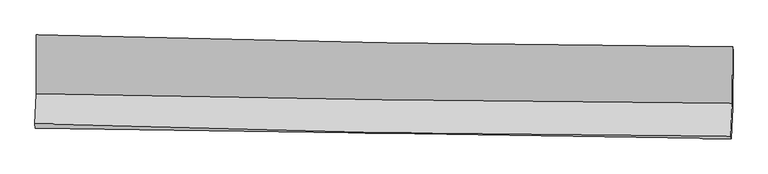
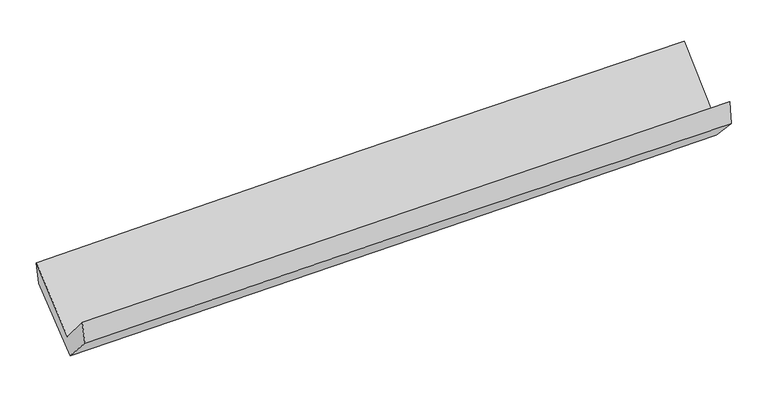
"""IFC4 building model written with IfcOpenShell, lengths in millimetres: proxy geometry."""

from ifc_helpers import new_model, si_unit, frame, origin, place, context, project, spatial, source, transform, mapped, element, save
from ifc_brep_helpers import plane_surface, spline_curve, spline_surface, advanced_brep


def generic_models_9a4db3d3(model_context):
    return source(origin(), model_context, "Body", "AdvancedBrep", [
        advanced_brep(
        [(-2990.8398621, -1160.4306674, 2161.6176668), (-2990.8015772, -1665.3606592, 1735.6580448), (2980.4638695, -1748.2968408, 1878.896212), (2983.4430792, -1263.8434809, 2315.1411353), (-3002.6665868, -1924.26608, 2042.5619178), (2968.0762496, -2027.6921666, 2188.1987605), (-2999.1412102, -1960.2660648, 1856.486622), (2971.3778603, -2050.6902009, 1986.487885), (-2987.82886, -1704.1311723, 1571.6830912), (2982.8160069, -1786.851591, 1708.061418), (-2987.3175413, -1195.063072, 1976.8265505), (2986.3286077, -1294.7835404, 2125.5845278)],
        [
            (0, 1),
            (1, 2, spline_curve(3, [(-2990.8015772, -1665.3606592, 1735.6580448), (-1995.714845145, -1685.713456769, 1754.57455303), (-1000.596961926, -1702.800977192, 1775.968425054), (989.824845691, -1730.447183293, 1823.713864542), (1985.128778023, -1741.005056614, 1850.066048392), (2980.4638695, -1748.2968408, 1878.896212)], [4, 2, 4], [0.0, 9.801569609693416, 19.60435796560528])),
            (2, 3),
            (3, 0, spline_curve(3, [(2983.4430792, -1263.8434809, 2315.1411353), (1987.266683344, -1256.337964559, 2303.514498959), (991.290635966, -1243.966633376, 2284.906329268), (-1000.136961474, -1209.494485857, 2233.73010361), (-1995.588561037, -1187.394878838, 2201.16378428), (-2990.8398621, -1160.4306674, 2161.6176668)], [4, 2, 4], [0.0, 9.802788355911865, 19.60435796560528])),
            (1, 4),
            (4, 5, spline_curve(3, [(-3002.6665868, -1924.26608, 2042.5619178), (-2008.280373745, -1958.390782818, 2081.451131651), (-1013.556317249, -1984.071963723, 2113.031842262), (976.69121078, -2018.549426041, 2161.579273791), (1972.21476633, -2027.343606968, 2178.544177868), (2968.0762496, -2027.6921666, 2188.1987605)], [4, 2, 4], [0.0, 9.79860051053545, 19.59841939810579])),
            (5, 2),
            (4, 6),
            (6, 7, spline_curve(3, [(-2999.1412102, -1960.2660648, 1856.486622), (-2004.207796757, -1974.152442542, 1881.928206849), (-1009.228767666, -1988.630470989, 1905.481881608), (980.944244565, -2018.771702404, 1948.816105555), (1976.138239062, -2034.435052782, 1968.596185095), (2971.3778603, -2050.6902009, 1986.487885)], [4, 2, 4], [0.0, 9.797812367254078, 19.596843013543776])),
            (7, 5),
            (6, 8),
            (8, 9, spline_curve(3, [(-2987.82886, -1704.1311723, 1571.6830912), (-1992.989346958, -1721.503972055, 1598.511263876), (-998.046789557, -1737.083422915, 1623.289631851), (992.168140661, -1764.657342076, 1668.749583863), (1987.440538623, -1776.651363723, 1689.430658259), (2982.8160069, -1786.851591, 1708.061418)], [4, 2, 4], [0.0, 9.797143327614643, 19.595504851075216])),
            (9, 7),
            (8, 10),
            (10, 11, spline_curve(3, [(-2987.3175413, -1195.063072, 1976.8265505), (-1991.657304342, -1209.629706514, 2001.620416773), (-996.054283334, -1225.22248234, 2026.413077592), (995.161113635, -1258.462383288, 2075.999070425), (1990.773475966, -1276.109763618, 2100.792401867), (2986.3286077, -1294.7835404, 2125.5845278)], [4, 2, 4], [0.0, 9.800157866347655, 19.601534303374848])),
            (11, 9),
            (10, 0),
            (3, 11),
        ],
        [
            spline_surface(3, 3, [[(-2990.8398621, -1160.4306674, 2161.6176668), (-1995.588560981, -1187.394878904, 2201.163784134), (-1000.136961396, -1209.494485802, 2233.730103756), (991.290635888, -1243.966633431, 2284.906329122), (1987.266683407, -1256.337964423, 2303.514499009), (2983.4430792, -1263.8434809, 2315.1411353)], [(-2990.827100465, -1328.740664656, 2019.631126143), (-1995.630655743, -1353.501071488, 2052.30070709), (-1000.290294934, -1373.92998294, 2081.14287748), (990.802039196, -1406.126816676, 2131.175507598), (1986.554048316, -1417.893661805, 2152.365015464), (2982.450009308, -1425.327934229, 2169.726160885)], [(-2990.814338835, -1497.050661944, 1877.644585457), (-1995.672750511, -1519.607264106, 1903.437630018), (-1000.44362849, -1538.365480129, 1928.555651264), (990.313442486, -1568.286999972, 1977.444686132), (1985.8414132, -1579.449359102, 2001.215531863), (2981.456939392, -1586.812387471, 2024.311186415)], [(-2990.8015772, -1665.3606592, 1735.6580448), (-1995.714845273, -1685.71345669, 1754.574552975), (-1000.596962029, -1702.800977267, 1775.968424988), (989.824845794, -1730.447183217, 1823.713864608), (1985.128778109, -1741.005056484, 1850.066048318), (2980.4638695, -1748.2968408, 1878.896212)]], [4, 4], [4, 2, 4], [0.0, 2.203580574887848], [0.0, 9.801569609693416, 19.60435796560528]),
            spline_surface(3, 3, [[(-2990.8015772, -1665.3606592, 1735.6580448), (-1995.714845273, -1685.71345669, 1754.574552975), (-1000.596962029, -1702.800977267, 1775.968424988), (989.824845794, -1730.447183217, 1823.713864608), (1985.128778109, -1741.005056484, 1850.066048318), (2980.4638695, -1748.2968408, 1878.896212)], [(-2994.756580408, -1751.662466121, 1837.959335799), (-1999.903354797, -1776.605898704, 1863.533412537), (-1004.916747116, -1796.557972783, 1888.322897365), (985.446967475, -1826.481264116, 1936.33566773), (1980.824107546, -1836.451239988, 1959.558758125), (2976.33466287, -1841.428616042, 1981.997061496)], [(-2998.711583592, -1837.964273079, 1940.260626801), (-2004.091864297, -1867.498340756, 1972.492272103), (-1009.236532211, -1890.314968317, 2000.677369722), (981.069089148, -1922.515345032, 2048.957470833), (1976.519436972, -1931.897423565, 2069.051467943), (2972.20545623, -1934.560391358, 2085.097911004)], [(-3002.6665868, -1924.26608, 2042.5619178), (-2008.280373821, -1958.39078277, 2081.451131666), (-1013.556317298, -1984.071963833, 2113.031842099), (976.691210829, -2018.549425931, 2161.579273954), (1972.214766409, -2027.343607069, 2178.544177751), (2968.0762496, -2027.6921666, 2188.1987605)]], [4, 4], [4, 2, 4], [0.0, 1.4491480787499342], [0.0, 9.79860051053545, 19.59841939810579]),
            spline_surface(3, 3, [[(-3002.6665868, -1924.26608, 2042.5619178), (-2008.280373821, -1958.39078277, 2081.451131666), (-1013.556317298, -1984.071963833, 2113.031842099), (976.691210829, -2018.549425931, 2161.579273954), (1972.214766409, -2027.343607069, 2178.544177751), (2968.0762496, -2027.6921666, 2188.1987605)], [(-3001.491461263, -1936.266074958, 1980.536819176), (-2006.922848078, -1963.644669394, 2014.943490022), (-1012.113800732, -1985.591466208, 2043.848521954), (978.108888735, -2018.623518119, 2090.658217816), (1973.522590605, -2029.707422334, 2108.561513486), (2969.176786478, -2035.358178039, 2120.961801994)], [(-3000.316335737, -1948.266069842, 1918.511720624), (-2005.565322345, -1968.898555945, 1948.43584845), (-1010.67128419, -1987.110968553, 1974.665201789), (979.526566616, -2018.697610277, 2019.737161658), (1974.830414867, -2032.07123758, 2038.578849239), (2970.277323422, -2043.024189461, 2053.724843506)], [(-2999.1412102, -1960.2660648, 1856.486622), (-2004.207796603, -1974.152442569, 1881.928206806), (-1009.228767623, -1988.630470928, 1905.481881644), (980.944244522, -2018.771702465, 1948.81610552), (1976.138239063, -2034.435052845, 1968.596184974), (2971.3778603, -2050.6902009, 1986.487885)]], [4, 4], [4, 2, 4], [0.0, 0.6896793455753694], [0.0, 9.797812367254078, 19.596843013543776]),
            spline_surface(3, 3, [[(-2999.1412102, -1960.2660648, 1856.486622), (-2004.207796603, -1974.152442569, 1881.928206806), (-1009.228767623, -1988.630470928, 1905.481881644), (980.944244522, -2018.771702465, 1948.81610552), (1976.138239063, -2034.435052845, 1968.596184974), (2971.3778603, -2050.6902009, 1986.487885)], [(-2995.370426803, -1874.887767289, 1761.552111752), (-2000.468313405, -1889.936285699, 1787.455892544), (-1005.501441587, -1904.78145496, 1811.417798377), (984.685543178, -1934.066915622, 1855.460598315), (1979.905672262, -1948.507156508, 1875.541009414), (2975.190575841, -1962.743997613, 1893.679062674)], [(-2991.599643397, -1789.509469811, 1666.617601448), (-1996.728830199, -1805.720128863, 1692.983578225), (-1001.774115487, -1820.932439008, 1717.353715093), (988.426841899, -1849.362128794, 1762.105091092), (1983.673105439, -1862.57926013, 1782.485833831), (2979.003291359, -1874.797794287, 1800.870240326)], [(-2987.82886, -1704.1311723, 1571.6830912), (-1992.989347001, -1721.503971993, 1598.511263962), (-998.046789451, -1737.08342304, 1623.289631826), (992.168140555, -1764.65734195, 1668.749583887), (1987.440538639, -1776.651363793, 1689.430658271), (2982.8160069, -1786.851591, 1708.061418)]], [4, 4], [4, 2, 4], [0.0, 1.2410190905301992], [0.0, 9.797143327614643, 19.595504851075216]),
            spline_surface(3, 3, [[(-2987.82886, -1704.1311723, 1571.6830912), (-1992.989347001, -1721.503971993, 1598.511263962), (-998.046789451, -1737.08342304, 1623.289631826), (992.168140555, -1764.65734195, 1668.749583887), (1987.440538639, -1776.651363793, 1689.430658271), (2982.8160069, -1786.851591, 1708.061418)], [(-2987.658420424, -1534.441805527, 1706.730910972), (-1992.545332741, -1550.879216817, 1732.880981603), (-997.382620764, -1566.463109477, 1757.664113749), (993.165798315, -1595.92568906, 1804.499412703), (1988.551517758, -1609.804163697, 1826.551239525), (2983.986873837, -1622.828907452, 1847.235787935)], [(-2987.487980876, -1364.752438773, 1841.778730728), (-1992.101318508, -1380.254461659, 1867.250699228), (-996.718452149, -1395.842795913, 1892.038595717), (994.163456003, -1427.194036169, 1940.249241563), (1989.662496867, -1442.956963647, 1963.671820775), (2985.157740763, -1458.806223948, 1986.410157865)], [(-2987.3175413, -1195.063072, 1976.8265505), (-1991.657304248, -1209.629706482, 2001.620416869), (-996.054283462, -1225.22248235, 2026.413077639), (995.161113763, -1258.462383279, 2075.999070378), (1990.773475986, -1276.109763552, 2100.792402029), (2986.3286077, -1294.7835404, 2125.5845278)]], [4, 4], [4, 2, 4], [0.0, 2.13454274872519], [0.0, 9.800157866347655, 19.601534303374848]),
            spline_surface(3, 3, [[(-2987.3175413, -1195.063072, 1976.8265505), (-1991.657304248, -1209.629706482, 2001.620416869), (-996.054283462, -1225.22248235, 2026.413077639), (995.161113763, -1258.462383279, 2075.999070378), (1990.773475986, -1276.109763552, 2100.792402029), (2986.3286077, -1294.7835404, 2125.5845278)], [(-2988.491648237, -1183.518937149, 2038.423589258), (-1992.967723163, -1202.218097306, 2068.134872615), (-997.415176126, -1219.979816851, 2095.518753028), (993.870954451, -1253.63046668, 2145.634823309), (1989.604545126, -1269.519163834, 2168.366434338), (2985.366764866, -1284.470187225, 2188.770063615)], [(-2989.665755163, -1171.974802251, 2100.020628042), (-1994.278142067, -1194.80648808, 2134.649328387), (-998.776068731, -1214.737151301, 2164.624428367), (992.580795199, -1248.79855003, 2215.270576191), (1988.435614267, -1262.928564141, 2235.940466701), (2984.404922034, -1274.156834075, 2251.955599485)], [(-2990.8398621, -1160.4306674, 2161.6176668), (-1995.588560981, -1187.394878904, 2201.163784134), (-1000.136961396, -1209.494485802, 2233.730103756), (991.290635888, -1243.966633431, 2284.906329122), (1987.266683407, -1256.337964423, 2303.514499009), (2983.4430792, -1263.8434809, 2315.1411353)]], [4, 4], [4, 2, 4], [0.0, 0.6847049540980708], [0.0, 9.80383079574204, 19.6088806188628]),
            plane_surface(frame((2978.7509455, -1695.3596368, 2033.7283231), z_axis=(0.9995484311483469, -0.023268377920591898, 0.019013584034130362), x_axis=(0.00544298997522617, 0.7624895655240271, 0.6469776165580304))),
            plane_surface(frame((-2993.0992729, -1601.586286, 1890.8056489), z_axis=(-0.9995636859016684, 0.01900131551462547, -0.022613885897482606), x_axis=(0.018731624386565605, -0.18417436359207343, -0.982715080805874))),
        ],
        [
            (0, [[1, 2, 3, 4]]),
            (1, [[5, 6, 7, -2]]),
            (2, [[8, 9, 10, -6]]),
            (3, [[11, 12, 13, -9]]),
            (4, [[14, 15, 16, -12]]),
            (5, [[17, -4, 18, -15]]),
            (6, [[-16, -18, -3, -7, -10, -13]]),
            (7, [[-17, -14, -11, -8, -5, -1]]),
        ],
    ),
    ])


if __name__ == "__main__":
    model = new_model("IFC4")
    model_context = context("Model", 3, world=origin())
    ifc_project = project(units=[si_unit("LENGTHUNIT", "METRE", prefix="MILLI")], contexts=[model_context])
    site = spatial("IfcSite", under=ifc_project)
    building = spatial("IfcBuilding", under=site)
    placement = place(None, origin())
    generic_models_shape = generic_models_9a4db3d3(model_context)
    element("IfcBuildingElementProxy", 1, Name="Generic Models", at=placement, inside=building, context=model_context, shape_type="MappedRepresentation", body=[
        mapped(generic_models_shape, transform((0.0, 0.0, 0.0), x_axis=(1.0, 0.0, 0.0), y_axis=(0.0, 1.0, 0.0), z_axis=(0.0, 0.0, 1.0))),
    ])
    save(model, "model.ifc")
